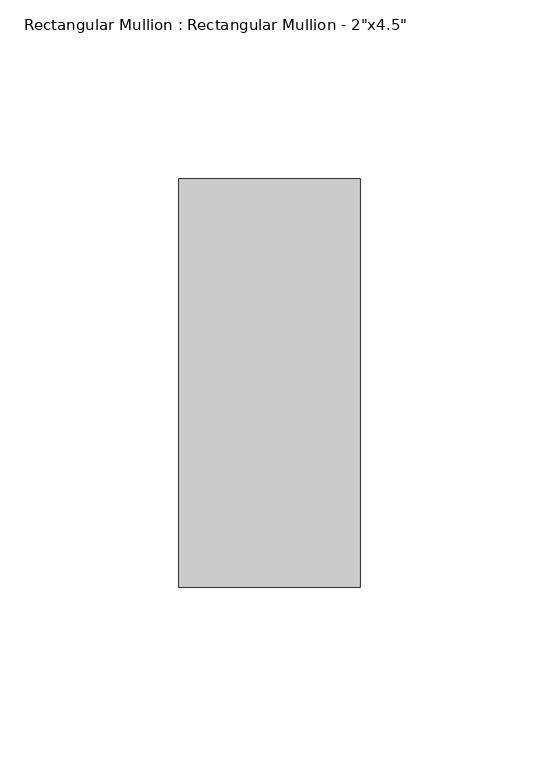
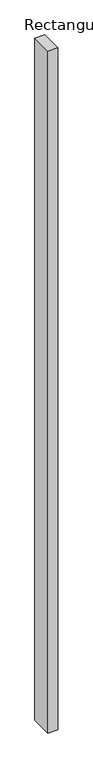
"""IFC4 building model written with IfcOpenShell, lengths in millimetres: member geometry."""

from ifc_helpers import new_model, si_unit, frame, origin, place, context, project, spatial, polyline, outline, extrude, source, transform, mapped, element, save


def member_dcbaa1b6(model_context):
    return source(origin(), model_context, "Body", "SweptSolid", [
        extrude(outline(polyline([(0.0, 57.15), (0.0, -57.15), (-50.8, -57.15), (-50.8, 57.15), (0.0, 57.15)])), frame((0.0, 0.0, -3657.6), z_axis=(0.0, 0.0, 1.0), x_axis=(1.0, 0.0, 0.0)), (0.0, 0.0, 1.0), 3657.6),
    ])


if __name__ == "__main__":
    model = new_model("IFC4")
    model_context = context("Model", 3, world=origin())
    ifc_project = project(units=[si_unit("LENGTHUNIT", "METRE", prefix="MILLI")], contexts=[model_context])
    site = spatial("IfcSite", under=ifc_project)
    building = spatial("IfcBuilding", under=site)
    placement = place(None, origin())
    member_shape = member_dcbaa1b6(model_context)
    element("IfcMember", 1, ObjectType="Rectangular Mullion : Rectangular Mullion - 2\"x4.5\"", at=placement, inside=building, context=model_context, shape_type="MappedRepresentation", body=[
        mapped(member_shape, transform((0.0, 0.0, 0.0), x_axis=(1.0, 0.0, 0.0), y_axis=(0.0, 1.0, 0.0), z_axis=(0.0, 0.0, 1.0))),
    ])
    save(model, "model.ifc")
